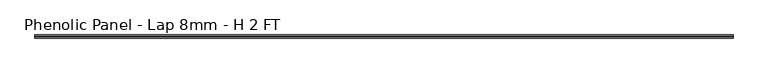
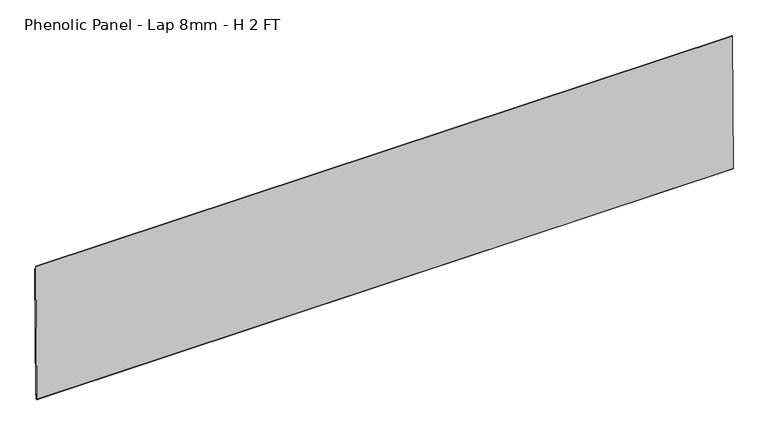
"""IFC4 building model written with IfcOpenShell, lengths in millimetres: proxy geometry, Phenolic Panel - Lap 8mm - H 2 FT."""

from ifc_helpers import new_model, si_unit, frame, origin, place, context, project, spatial, polyline, outline, extrude, source, transform, mapped, element, save


def phenolic_panel_lap_8mm_h_2_ft_9062cc54(model_context):
    return source(origin(), model_context, "Body", "SweptSolid", [
        extrude(outline(polyline([(2.7732555, 593.6735917), (-2.7736212, 15.850215), (-5.1547614, 15.873073), (-5.0785681, 23.8102073), (-7.6581367, 23.8349701), (-7.8867168, 0.0235672), (-9.8571575, 0.0424827), (-10.8534851, 1.0581244), (-5.0211492, 608.618069), (-4.0055075, 609.6143966), (-2.6240021, 609.6011347), (-2.7763888, 593.7268661), (2.7732555, 593.6735917)])), frame((-1814.5125, 0.0, 0.0), z_axis=(1.0, 0.0, 0.0), x_axis=(0.0, 1.0, 0.0)), (0.0, 0.0, 1.0), 3033.7125),
    ])


if __name__ == "__main__":
    model = new_model("IFC4")
    model_context = context("Model", 3, world=origin())
    ifc_project = project(units=[si_unit("LENGTHUNIT", "METRE", prefix="MILLI")], contexts=[model_context])
    site = spatial("IfcSite", under=ifc_project)
    building = spatial("IfcBuilding", under=site)
    placement = place(None, origin())
    phenolic_panel_lap_8mm_h_2_ft_shape = phenolic_panel_lap_8mm_h_2_ft_9062cc54(model_context)
    element("IfcBuildingElementProxy", 1, Name="Phenolic Panel - Lap 8mm - H 2 FT", ObjectType="Phenolic Panel - Lap 8mm - H 2 FT", at=placement, inside=building, context=model_context, shape_type="MappedRepresentation", body=[
        mapped(phenolic_panel_lap_8mm_h_2_ft_shape, transform((0.0, 0.0, 0.0), x_axis=(1.0, 0.0, 0.0), y_axis=(0.0, 1.0, 0.0), z_axis=(0.0, 0.0, 1.0))),
    ])
    save(model, "model.ifc")
